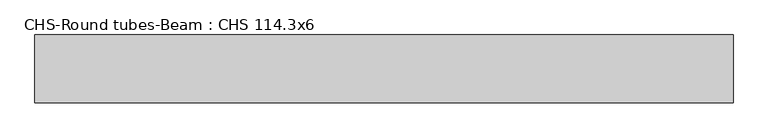
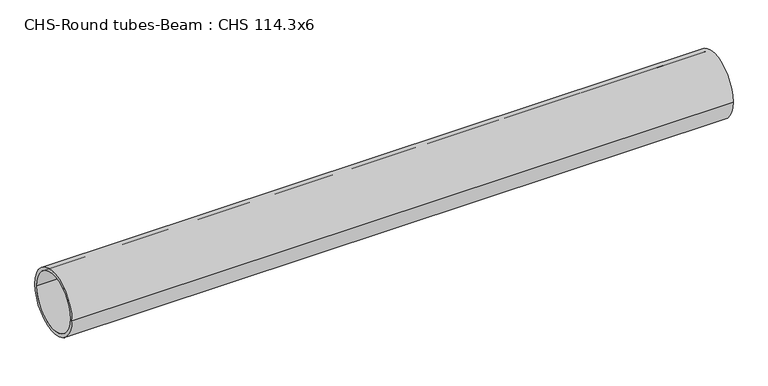
"""IFC4 building model written with IfcOpenShell, lengths in millimetres: beam geometry, CHS-Round tubes-Beam : CHS 114.3x6."""

from ifc_helpers import new_model, si_unit, point, frame, origin, origin_2d, place, context, project, spatial, circle_curve, trimmed, segment, composite_curve, outline, extrude, source, transform, mapped, element, save


def chs_round_tubes_beam_chs_114_3x6_33221a6a(model_context):
    return source(origin(), model_context, "Body", "SweptSolid", [
        extrude(outline(composite_curve([segment(trimmed(circle_curve(origin_2d(), 57.15), [point((57.15, 0.0))], [point((-57.15, 0.0))], False, "CARTESIAN"), True, "CONTINUOUS"), segment(trimmed(circle_curve(origin_2d(), 57.15), [point((-57.15, 0.0))], [point((57.15, 0.0))], False, "CARTESIAN"), True, "CONTINUOUS")], self_intersect=False), holes=[composite_curve([segment(trimmed(circle_curve(origin_2d(), 51.15), [point((51.15, 0.0))], [point((-51.15, 0.0))], True, "CARTESIAN"), True, "CONTINUOUS"), segment(trimmed(circle_curve(origin_2d(), 51.15), [point((-51.15, 0.0))], [point((51.15, 0.0))], True, "CARTESIAN"), True, "CONTINUOUS")], self_intersect=False)]), frame((-483.4564313, 0.0, 0.0), z_axis=(1.0, 0.0, 0.0), x_axis=(0.0, 1.0, 0.0)), (0.0, 0.0, 1.0), 1177.6116567),
    ])


if __name__ == "__main__":
    model = new_model("IFC4")
    model_context = context("Model", 3, world=origin())
    ifc_project = project(units=[si_unit("LENGTHUNIT", "METRE", prefix="MILLI")], contexts=[model_context])
    site = spatial("IfcSite", under=ifc_project)
    building = spatial("IfcBuilding", under=site)
    placement = place(None, origin())
    chs_round_tubes_beam_chs_114_3x6_shape = chs_round_tubes_beam_chs_114_3x6_33221a6a(model_context)
    element("IfcBeam", 1, ObjectType="CHS-Round tubes-Beam : CHS 114.3x6", at=placement, inside=building, context=model_context, shape_type="MappedRepresentation", body=[
        mapped(chs_round_tubes_beam_chs_114_3x6_shape, transform((0.0, 0.0, 0.0), x_axis=(1.0, 0.0, 0.0), y_axis=(0.0, 1.0, 0.0), z_axis=(0.0, 0.0, 1.0))),
    ])
    save(model, "model.ifc")
